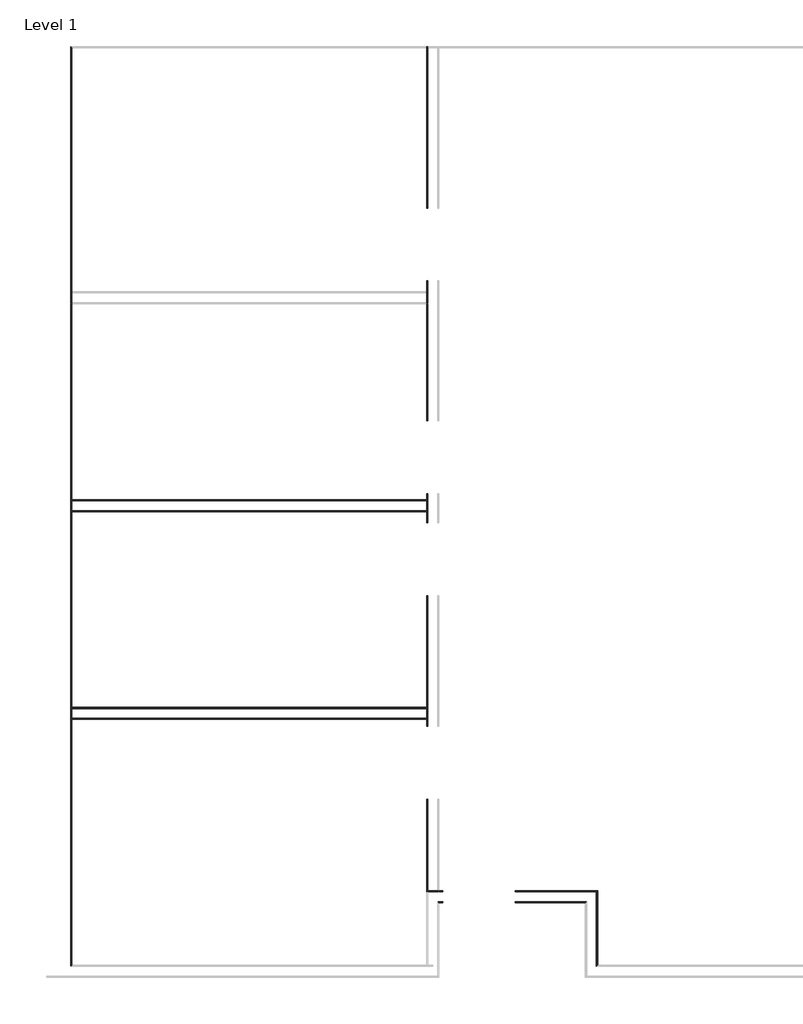
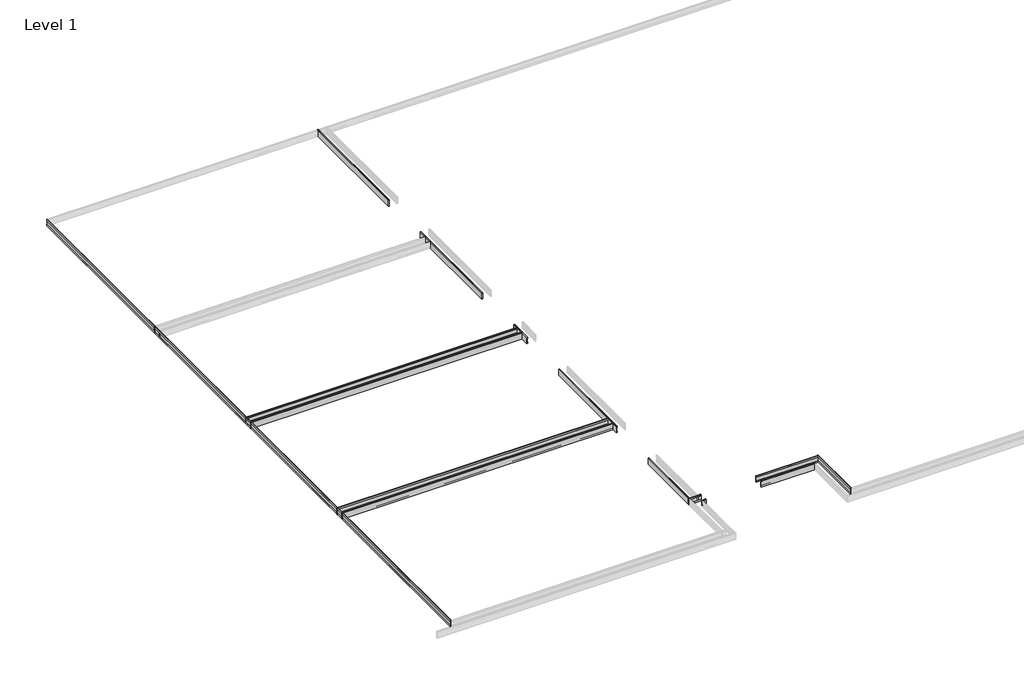
# One storey, part 26 of 51: 9 proxies.
"""IFC4 building model written with IfcOpenShell, lengths in millimetres."""

from ifc_helpers import new_model, si_unit, point, frame, frame_2d, origin, place, context, project, spatial, polyline, circle_curve, ellipse_curve, trimmed, segment, composite_curve, outline, extrude, element, save
from ifc_brep_helpers import plane_surface, cylinder_surface, advanced_brep

model = new_model("IFC4")

# Units and contexts
model_context = context("Model", 3, world=origin())
ifc_project = project(units=[si_unit("LENGTHUNIT", "METRE", prefix="MILLI")], contexts=[model_context])

# Site, building, storey
site = spatial("IfcSite", under=ifc_project)
building = spatial("IfcBuilding", under=site)
storey = spatial("IfcBuildingStorey", under=building, Name="Level 1", Elevation=0.0)

# Proxies
placement = place(None, origin())
element("IfcBuildingElementProxy", 1, Name="Wall Sweeps", at=placement, inside=storey, context=model_context, shape_type="SweptSolid", body=[
    extrude(outline(composite_curve([segment(polyline([(-17566.3051669, 22.1801656), (-17562.9154634, 23.915644), (-17562.9154634, 85.828144), (-17566.3051669, 87.5505545), (-17566.3051669, 107.95), (-17555.1926669, 107.95)]), True, "CONTINUOUS"), segment(trimmed(circle_curve(frame_2d((-17555.1926669, 104.775)), 3.175), [point((-17555.1926669, 107.95))], [point((-17552.0176669, 104.775))], False, "CARTESIAN"), True, "CONTINUOUS"), segment(polyline([(-17552.0176669, 104.775), (-17552.0176669, 0.0), (-17566.3051669, 0.0), (-17566.3051669, 22.1801656)]), True, "CONTINUOUS")], self_intersect=False)), frame((-41512.646516, 0.0, 0.0), z_axis=(1.0, 0.0, 0.0), x_axis=(0.0, 1.0, 0.0)), (0.0, 0.0, 1.0), 4495.8),
])
element("IfcBuildingElementProxy", 2, Name="Wall Sweeps", at=placement, inside=storey, context=model_context, shape_type="SweptSolid", body=[
    extrude(outline(composite_curve([segment(polyline([(-15073.9301669, 22.1801656), (-15073.9301669, 0.0), (-15088.2176669, 0.0), (-15088.2176669, 104.775)]), True, "CONTINUOUS"), segment(trimmed(circle_curve(frame_2d((-15085.0426669, 104.775)), 3.175), [point((-15088.2176669, 104.775))], [point((-15085.0426669, 107.95))], False, "CARTESIAN"), True, "CONTINUOUS"), segment(polyline([(-15085.0426669, 107.95), (-15073.9301669, 107.95), (-15073.9301669, 87.5505545), (-15077.3198704, 85.828144), (-15077.3198704, 23.915644), (-15073.9301669, 22.1801656)]), True, "CONTINUOUS")], self_intersect=False)), frame((-41512.646516, 0.0, 0.0), z_axis=(1.0, 0.0, 0.0), x_axis=(0.0, 1.0, 0.0)), (0.0, 0.0, 1.0), 4495.8),
])
element("IfcBuildingElementProxy", 3, Name="Wall Sweeps", at=placement, inside=storey, context=model_context, shape_type="SweptSolid", body=[
    extrude(outline(composite_curve([segment(polyline([(-17690.1301669, 22.1801656), (-17690.1301669, 0.0), (-17704.4176669, 0.0), (-17704.4176669, 104.775)]), True, "CONTINUOUS"), segment(trimmed(circle_curve(frame_2d((-17701.2426669, 104.775)), 3.175), [point((-17704.4176669, 104.775))], [point((-17701.2426669, 107.95))], False, "CARTESIAN"), True, "CONTINUOUS"), segment(polyline([(-17701.2426669, 107.95), (-17690.1301669, 107.95), (-17690.1301669, 87.5505545), (-17693.5198704, 85.828144), (-17693.5198704, 23.915644), (-17690.1301669, 22.1801656)]), True, "CONTINUOUS")], self_intersect=False)), frame((-41512.646516, 0.0, 0.0), z_axis=(1.0, 0.0, 0.0), x_axis=(0.0, 1.0, 0.0)), (0.0, 0.0, 1.0), 4495.8),
])
element("IfcBuildingElementProxy", 4, Name="Wall Sweeps", at=placement, inside=storey, context=model_context, shape_type="SweptSolid", body=[
    extrude(outline(composite_curve([segment(polyline([(-14950.1051669, 22.1801656), (-14946.7154634, 23.915644), (-14946.7154634, 85.828144), (-14950.1051669, 87.5505545), (-14950.1051669, 107.95), (-14938.9926669, 107.95)]), True, "CONTINUOUS"), segment(trimmed(circle_curve(frame_2d((-14938.9926669, 104.775)), 3.175), [point((-14938.9926669, 107.95))], [point((-14935.8176669, 104.775))], False, "CARTESIAN"), True, "CONTINUOUS"), segment(polyline([(-14935.8176669, 104.775), (-14935.8176669, 0.0), (-14950.1051669, 0.0), (-14950.1051669, 22.1801656)]), True, "CONTINUOUS")], self_intersect=False)), frame((-41512.646516, 0.0, 0.0), z_axis=(1.0, 0.0, 0.0), x_axis=(0.0, 1.0, 0.0)), (0.0, 0.0, 1.0), 4495.8),
])
element("IfcBuildingElementProxy", 5, Name="Wall Sweeps", at=placement, inside=storey, context=model_context, shape_type="AdvancedBrep", body=[
    advanced_brep(
    [(-41512.646516, -20814.3301669, 22.1801656), (-41512.646516, -20814.3301669, 0.0), (-41498.359016, -20800.0426669, 0.0), (-41498.359016, -20800.0426669, 104.775), (-41501.534016, -20803.2176669, 107.95), (-41512.646516, -20814.3301669, 107.95), (-41512.646516, -20814.3301669, 87.5505545), (-41509.2568125, -20810.9404634, 85.828144), (-41509.2568125, -20810.9404634, 23.915644), (-41512.646516, -9231.9301669, 22.1801656), (-41509.2568125, -9235.3198704, 23.915644), (-41509.2568125, -9235.3198704, 85.828144), (-41512.646516, -9231.9301669, 87.5505545), (-41512.646516, -9231.9301669, 107.95), (-41501.534016, -9243.0426669, 107.95), (-41498.359016, -9246.2176669, 104.775), (-41498.359016, -9246.2176669, 0.0), (-41512.646516, -9231.9301669, 0.0)],
    [
        (0, 1),
        (1, 2),
        (2, 3),
        (3, 4, ellipse_curve(frame((-41501.534016, -20803.2176669, 104.775), z_axis=(0.7071067811865405, -0.7071067811865547, 0.0), x_axis=(-0.7071067811865548, -0.7071067811865401, 0.0)), 4.4901281, 3.175)),
        (4, 5),
        (5, 6),
        (6, 7),
        (7, 8),
        (8, 0),
        (9, 10),
        (10, 11),
        (11, 12),
        (12, 13),
        (13, 14),
        (14, 15, ellipse_curve(frame((-41501.534016, -9243.0426669, 104.775), z_axis=(0.7071067811865476, 0.7071067811865476, 0.0), x_axis=(0.7071067811865476, -0.7071067811865475, 0.0)), 4.4901281, 3.175)),
        (15, 16),
        (16, 17),
        (17, 9),
        (0, 9),
        (17, 1),
        (16, 2),
        (15, 3),
        (14, 4),
        (13, 5),
        (12, 6),
        (11, 7),
        (10, 8),
    ],
    [
        plane_surface(frame((-41512.646516, -20814.3301669, 304.8), z_axis=(0.7071067811865405, -0.7071067811865547, 0.0), x_axis=(0.7071067811865547, 0.7071067811865405, 0.0))),
        plane_surface(frame((-41512.646516, -9231.9301669, 304.8), z_axis=(0.7071067811865476, 0.7071067811865476, 0.0), x_axis=(0.7071067811865476, -0.7071067811865476, 0.0))),
        plane_surface(frame((-41512.646516, -20814.3301669, 22.1801656), z_axis=(-1.0, 0.0, 0.0), x_axis=(0.0, 1.0, 0.0))),
        plane_surface(frame((-41512.646516, -20814.3301669, 0.0), z_axis=(0.0, 0.0, -1.0), x_axis=(0.0, 1.0, 0.0))),
        plane_surface(frame((-41498.359016, -20800.0426669, 0.0), z_axis=(1.0, 0.0, 0.0), x_axis=(0.0, 1.0, 0.0))),
        cylinder_surface(frame((-41501.534016, -20814.3301669, 104.775), z_axis=(0.0, -1.0, 0.0), x_axis=(1.0, 0.0, 0.0)), 3.175),
        plane_surface(frame((-41501.534016, -20803.2176669, 107.95), z_axis=(0.0, 0.0, 1.0), x_axis=(0.0, 1.0, 0.0))),
        plane_surface(frame((-41512.646516, -20814.3301669, 107.95), z_axis=(-1.0, 0.0, 0.0), x_axis=(0.0, 1.0, 0.0))),
        plane_surface(frame((-41512.646516, -20814.3301669, 87.5505545), z_axis=(-0.4530026868357818, 0.0, -0.8915091506650745), x_axis=(0.0, 1.0, 0.0))),
        plane_surface(frame((-41509.2568125, -20810.9404634, 85.828144), z_axis=(-1.0, 0.0, 0.0), x_axis=(0.0, 1.0, 0.0))),
        plane_surface(frame((-41509.2568125, -20810.9404634, 23.915644), z_axis=(-0.4557279043188856, 0.0, 0.8901191365346083), x_axis=(0.0, 1.0, 0.0))),
    ],
    [
        (0, [[1, 2, 3, 4, 5, 6, 7, 8, 9]]),
        (1, [[10, 11, 12, 13, 14, 15, 16, 17, 18]]),
        (2, [[-1, 19, -18, 20]]),
        (3, [[-2, -20, -17, 21]]),
        (4, [[-3, -21, -16, 22]]),
        (5, [[-4, -22, -15, 23]]),
        (6, [[-5, -23, -14, 24]]),
        (7, [[-6, -24, -13, 25]]),
        (8, [[-7, -25, -12, 26]]),
        (9, [[-8, -26, -11, 27]]),
        (10, [[-9, -27, -10, -19]]),
    ],
),
])
element("IfcBuildingElementProxy", 6, Name="Wall Sweeps", at=placement, inside=storey, context=model_context, shape_type="AdvancedBrep", body=[
    advanced_brep(
    [(-34894.3655424, -20814.3301669, 22.1801656), (-34894.3655424, -20814.3301669, 0.0), (-34880.0780424, -20800.0426669, 0.0), (-34880.0780424, -20800.0426669, 104.775), (-34883.2530424, -20803.2176669, 107.95), (-34894.3655424, -20814.3301669, 107.95), (-34894.3655424, -20814.3301669, 87.5505545), (-34890.9758389, -20810.9404634, 85.828144), (-34890.9758389, -20810.9404634, 23.915644), (-34894.3655424, -19874.5301669, 22.1801656), (-34890.9758389, -19871.1404634, 23.915644), (-34890.9758389, -19871.1404634, 85.828144), (-34894.3655424, -19874.5301669, 87.5505545), (-34894.3655424, -19874.5301669, 107.95), (-34883.2530424, -19863.4176669, 107.95), (-34880.0780424, -19860.2426669, 104.775), (-34880.0780424, -19860.2426669, 0.0), (-34894.3655424, -19874.5301669, 0.0)],
    [
        (0, 1),
        (1, 2),
        (2, 3),
        (3, 4, ellipse_curve(frame((-34883.2530424, -20803.2176669, 104.775), z_axis=(0.7071067811865405, -0.7071067811865547, 0.0), x_axis=(-0.7071067811865547, -0.7071067811865402, 0.0)), 4.4901281, 3.175)),
        (4, 5),
        (5, 6),
        (6, 7),
        (7, 8),
        (8, 0),
        (9, 10),
        (10, 11),
        (11, 12),
        (12, 13),
        (13, 14),
        (14, 15, ellipse_curve(frame((-34883.2530424, -19863.4176669, 104.775), z_axis=(-0.7071067811865476, 0.7071067811865476, 0.0), x_axis=(-0.7071067811865476, -0.7071067811865474, 0.0)), 4.4901281, 3.175)),
        (15, 16),
        (16, 17),
        (17, 9),
        (0, 9),
        (17, 1),
        (16, 2),
        (15, 3),
        (14, 4),
        (13, 5),
        (12, 6),
        (11, 7),
        (10, 8),
    ],
    [
        plane_surface(frame((-34894.3655424, -20814.3301669, 304.8), z_axis=(0.7071067811865405, -0.7071067811865547, 0.0), x_axis=(0.7071067811865547, 0.7071067811865405, 0.0))),
        plane_surface(frame((-34894.3655424, -19874.5301669, -304.8), z_axis=(-0.7071067811865476, 0.7071067811865476, 0.0), x_axis=(-0.7071067811865476, -0.7071067811865476, 0.0))),
        plane_surface(frame((-34894.3655424, -20814.3301669, 22.1801656), z_axis=(-1.0, 0.0, 0.0), x_axis=(0.0, 1.0, 0.0))),
        plane_surface(frame((-34894.3655424, -20814.3301669, 0.0), z_axis=(0.0, 0.0, -1.0), x_axis=(0.0, 1.0, 0.0))),
        plane_surface(frame((-34880.0780424, -20800.0426669, 0.0), z_axis=(1.0, 0.0, 0.0), x_axis=(0.0, 1.0, 0.0))),
        cylinder_surface(frame((-34883.2530424, -20814.3301669, 104.775), z_axis=(0.0, -1.0, 0.0), x_axis=(1.0, 0.0, 0.0)), 3.175),
        plane_surface(frame((-34883.2530424, -20803.2176669, 107.95), z_axis=(0.0, 0.0, 1.0), x_axis=(0.0, 1.0, 0.0))),
        plane_surface(frame((-34894.3655424, -20814.3301669, 107.95), z_axis=(-1.0, 0.0, 0.0), x_axis=(0.0, 1.0, 0.0))),
        plane_surface(frame((-34894.3655424, -20814.3301669, 87.5505545), z_axis=(-0.4530026868357818, 0.0, -0.8915091506650745), x_axis=(0.0, 1.0, 0.0))),
        plane_surface(frame((-34890.9758389, -20810.9404634, 85.828144), z_axis=(-1.0, 0.0, 0.0), x_axis=(0.0, 1.0, 0.0))),
        plane_surface(frame((-34890.9758389, -20810.9404634, 23.915644), z_axis=(-0.4557279043188856, 0.0, 0.8901191365346083), x_axis=(0.0, 1.0, 0.0))),
    ],
    [
        (0, [[1, 2, 3, 4, 5, 6, 7, 8, 9]]),
        (1, [[10, 11, 12, 13, 14, 15, 16, 17, 18]]),
        (2, [[-1, 19, -18, 20]]),
        (3, [[-2, -20, -17, 21]]),
        (4, [[-3, -21, -16, 22]]),
        (5, [[-4, -22, -15, 23]]),
        (6, [[-5, -23, -14, 24]]),
        (7, [[-6, -24, -13, 25]]),
        (8, [[-7, -25, -12, 26]]),
        (9, [[-8, -26, -11, 27]]),
        (10, [[-9, -27, -10, -19]]),
    ],
),
])
element("IfcBuildingElementProxy", 7, Name="Wall Sweeps", at=placement, inside=storey, context=model_context, shape_type="AdvancedBrep", body=[
    advanced_brep(
    [(-36827.934016, -19998.3551669, 22.1801656), (-36827.934016, -20001.7448704, 23.915644), (-36827.934016, -20001.7448704, 85.828144), (-36827.934016, -19998.3551669, 87.5505545), (-36827.934016, -19998.3551669, 107.95), (-36827.934016, -20009.4676669, 107.95), (-36827.934016, -20012.6426669, 104.775), (-36827.934016, -20012.6426669, 0.0), (-36827.934016, -19998.3551669, 0.0), (-36893.021516, -19998.3551669, 22.1801656), (-36893.021516, -19998.3551669, 0.0), (-36878.734016, -20012.6426669, 0.0), (-36878.734016, -20012.6426669, 104.775), (-36881.909016, -20009.4676669, 107.95), (-36893.021516, -19998.3551669, 107.95), (-36893.021516, -19998.3551669, 87.5505545), (-36889.6318125, -20001.7448704, 85.828144), (-36889.6318125, -20001.7448704, 23.915644)],
    [
        (0, 1),
        (1, 2),
        (2, 3),
        (3, 4),
        (4, 5),
        (5, 6, circle_curve(frame((-36827.934016, -20009.4676669, 104.775), z_axis=(1.0, 0.0, 0.0), x_axis=(0.0, -1.0, 0.0)), 3.175)),
        (6, 7),
        (7, 8),
        (8, 0),
        (9, 10),
        (10, 11),
        (11, 12),
        (12, 13, ellipse_curve(frame((-36881.909016, -20009.4676669, 104.775), z_axis=(-0.7071067811865547, -0.7071067811865405, 0.0), x_axis=(0.7071067811865402, -0.7071067811865548, 0.0)), 4.4901281, 3.175)),
        (13, 14),
        (14, 15),
        (15, 16),
        (16, 17),
        (17, 9),
        (0, 9),
        (17, 1),
        (16, 2),
        (15, 3),
        (14, 4),
        (13, 5),
        (12, 6),
        (11, 7),
        (10, 8),
    ],
    [
        plane_surface(frame((-36827.934016, -19998.3551669, -108.5204596), z_axis=(1.0, 0.0, 0.0), x_axis=(0.0, -1.0, 0.0))),
        plane_surface(frame((-36893.021516, -19998.3551669, -304.8), z_axis=(-0.7071067811865547, -0.7071067811865405, 0.0), x_axis=(0.7071067811865405, -0.7071067811865547, 0.0))),
        plane_surface(frame((-36827.934016, -19998.3551669, 22.1801656), z_axis=(0.0, 0.4557279043188856, 0.8901191365346083), x_axis=(-1.0, 0.0, 0.0))),
        plane_surface(frame((-36827.934016, -20001.7448704, 23.915644), z_axis=(0.0, 1.0, 0.0), x_axis=(-1.0, 0.0, 0.0))),
        plane_surface(frame((-36827.934016, -20001.7448704, 85.828144), z_axis=(0.0, 0.4530026868357818, -0.8915091506650745), x_axis=(-1.0, 0.0, 0.0))),
        plane_surface(frame((-36827.934016, -19998.3551669, 87.5505545), z_axis=(0.0, 1.0, 0.0), x_axis=(-1.0, 0.0, 0.0))),
        plane_surface(frame((-36827.934016, -19998.3551669, 107.95), z_axis=(0.0, 0.0, 1.0), x_axis=(-1.0, 0.0, 0.0))),
        cylinder_surface(frame((-36827.934016, -20009.4676669, 104.775), z_axis=(1.0, 0.0, 0.0), x_axis=(0.0, -1.0, 0.0)), 3.175),
        plane_surface(frame((-36827.934016, -20012.6426669, 104.775), z_axis=(0.0, -1.0, 0.0), x_axis=(-1.0, 0.0, 0.0))),
        plane_surface(frame((-36827.934016, -20012.6426669, 0.0), z_axis=(0.0, 0.0, -1.0), x_axis=(-1.0, 0.0, 0.0))),
        plane_surface(frame((-36827.934016, -19998.3551669, 0.0), z_axis=(0.0, 1.0, 0.0), x_axis=(-1.0, 0.0, 0.0))),
    ],
    [
        (0, [[1, 2, 3, 4, 5, 6, 7, 8, 9]]),
        (1, [[10, 11, 12, 13, 14, 15, 16, 17, 18]]),
        (2, [[-1, 19, -18, 20]]),
        (3, [[-2, -20, -17, 21]]),
        (4, [[-3, -21, -16, 22]]),
        (5, [[-4, -22, -15, 23]]),
        (6, [[-5, -23, -14, 24]]),
        (7, [[-6, -24, -13, 25]]),
        (8, [[-7, -25, -12, 26]]),
        (9, [[-8, -26, -11, 27]]),
        (10, [[-9, -27, -10, -19]]),
    ],
),
    advanced_brep(
    [(-35018.1905424, -19998.3551669, 22.1801656), (-35021.5802458, -20001.7448704, 23.915644), (-35021.5802458, -20001.7448704, 85.828144), (-35018.1905424, -19998.3551669, 87.5505545), (-35018.1905424, -19998.3551669, 107.95), (-35029.3030424, -20009.4676669, 107.95), (-35032.4780424, -20012.6426669, 104.775), (-35032.4780424, -20012.6426669, 0.0), (-35018.1905424, -19998.3551669, 0.0), (-35913.534016, -19998.3551669, 22.1801656), (-35913.534016, -19998.3551669, 0.0), (-35913.534016, -20012.6426669, 0.0), (-35913.534016, -20012.6426669, 104.775), (-35913.534016, -20009.4676669, 107.95), (-35913.534016, -19998.3551669, 107.95), (-35913.534016, -19998.3551669, 87.5505545), (-35913.534016, -20001.7448704, 85.828144), (-35913.534016, -20001.7448704, 23.915644)],
    [
        (0, 1),
        (1, 2),
        (2, 3),
        (3, 4),
        (4, 5),
        (5, 6, ellipse_curve(frame((-35029.3030424, -20009.4676669, 104.775), z_axis=(0.7071067811865476, -0.7071067811865476, 0.0), x_axis=(0.7071067811865475, 0.7071067811865476, 0.0)), 4.4901281, 3.175)),
        (6, 7),
        (7, 8),
        (8, 0),
        (9, 10),
        (10, 11),
        (11, 12),
        (12, 13, circle_curve(frame((-35913.534016, -20009.4676669, 104.775), z_axis=(-1.0, 0.0, 0.0), x_axis=(0.0, -1.0, 0.0)), 3.175)),
        (13, 14),
        (14, 15),
        (15, 16),
        (16, 17),
        (17, 9),
        (0, 9),
        (17, 1),
        (16, 2),
        (15, 3),
        (14, 4),
        (13, 5),
        (12, 6),
        (11, 7),
        (10, 8),
    ],
    [
        plane_surface(frame((-35018.1905424, -19998.3551669, -304.8), z_axis=(0.7071067811865476, -0.7071067811865476, 0.0), x_axis=(-0.7071067811865476, -0.7071067811865476, 0.0))),
        plane_surface(frame((-35913.534016, -19998.3551669, -108.5204596), z_axis=(-1.0, 0.0, 0.0), x_axis=(0.0, -1.0, 0.0))),
        plane_surface(frame((-35018.1905424, -19998.3551669, 22.1801656), z_axis=(0.0, 0.4557279043188856, 0.8901191365346083), x_axis=(-1.0, 0.0, 0.0))),
        plane_surface(frame((-35021.5802458, -20001.7448704, 23.915644), z_axis=(0.0, 1.0, 0.0), x_axis=(-1.0, 0.0, 0.0))),
        plane_surface(frame((-35021.5802458, -20001.7448704, 85.828144), z_axis=(0.0, 0.4530026868357818, -0.8915091506650745), x_axis=(-1.0, 0.0, 0.0))),
        plane_surface(frame((-35018.1905424, -19998.3551669, 87.5505545), z_axis=(0.0, 1.0, 0.0), x_axis=(-1.0, 0.0, 0.0))),
        plane_surface(frame((-35018.1905424, -19998.3551669, 107.95), z_axis=(0.0, 0.0, 1.0), x_axis=(-1.0, 0.0, 0.0))),
        cylinder_surface(frame((-35018.1905424, -20009.4676669, 104.775), z_axis=(1.0, 0.0, 0.0), x_axis=(0.0, -1.0, 0.0)), 3.175),
        plane_surface(frame((-35032.4780424, -20012.6426669, 104.775), z_axis=(0.0, -1.0, 0.0), x_axis=(-1.0, 0.0, 0.0))),
        plane_surface(frame((-35032.4780424, -20012.6426669, 0.0), z_axis=(0.0, 0.0, -1.0), x_axis=(-1.0, 0.0, 0.0))),
        plane_surface(frame((-35018.1905424, -19998.3551669, 0.0), z_axis=(0.0, 1.0, 0.0), x_axis=(-1.0, 0.0, 0.0))),
    ],
    [
        (0, [[1, 2, 3, 4, 5, 6, 7, 8, 9]]),
        (1, [[10, 11, 12, 13, 14, 15, 16, 17, 18]]),
        (2, [[-1, 19, -18, 20]]),
        (3, [[-2, -20, -17, 21]]),
        (4, [[-3, -21, -16, 22]]),
        (5, [[-4, -22, -15, 23]]),
        (6, [[-5, -23, -14, 24]]),
        (7, [[-6, -24, -13, 25]]),
        (8, [[-7, -25, -12, 26]]),
        (9, [[-8, -26, -11, 27]]),
        (10, [[-9, -27, -10, -19]]),
    ],
),
])
element("IfcBuildingElementProxy", 8, Name="Wall Sweeps", at=placement, inside=storey, context=model_context, shape_type="AdvancedBrep", body=[
    advanced_brep(
    [(-34894.3655424, -19874.5301669, 22.1801656), (-34894.3655424, -19874.5301669, 0.0), (-34880.0780424, -19860.2426669, 0.0), (-34880.0780424, -19860.2426669, 104.775), (-34883.2530424, -19863.4176669, 107.95), (-34894.3655424, -19874.5301669, 107.95), (-34894.3655424, -19874.5301669, 87.5505545), (-34890.9758389, -19871.1404634, 85.828144), (-34890.9758389, -19871.1404634, 23.915644), (-35913.534016, -19874.5301669, 22.1801656), (-35913.534016, -19871.1404634, 23.915644), (-35913.534016, -19871.1404634, 85.828144), (-35913.534016, -19874.5301669, 87.5505545), (-35913.534016, -19874.5301669, 107.95), (-35913.534016, -19863.4176669, 107.95), (-35913.534016, -19860.2426669, 104.775), (-35913.534016, -19860.2426669, 0.0), (-35913.534016, -19874.5301669, 0.0), (-35018.1905424, -19874.5301669, 0.0)],
    [
        (0, 1),
        (1, 2),
        (2, 3),
        (3, 4, ellipse_curve(frame((-34883.2530424, -19863.4176669, 104.775), z_axis=(0.7071067811865476, -0.7071067811865476, 0.0), x_axis=(0.7071067811865475, 0.7071067811865476, 0.0)), 4.4901281, 3.175)),
        (4, 5),
        (5, 6),
        (6, 7),
        (7, 8),
        (8, 0),
        (9, 10),
        (10, 11),
        (11, 12),
        (12, 13),
        (13, 14),
        (14, 15, circle_curve(frame((-35913.534016, -19863.4176669, 104.775), z_axis=(-1.0, 0.0, 0.0), x_axis=(0.0, 1.0, 0.0)), 3.175)),
        (15, 16),
        (16, 17),
        (17, 9),
        (0, 9),
        (17, 18),
        (18, 1),
        (16, 2),
        (15, 3),
        (14, 4),
        (13, 5),
        (12, 6),
        (11, 7),
        (10, 8),
    ],
    [
        plane_surface(frame((-34894.3655424, -19874.5301669, -304.8), z_axis=(0.7071067811865476, -0.7071067811865476, 0.0), x_axis=(-0.7071067811865476, -0.7071067811865476, 0.0))),
        plane_surface(frame((-35913.534016, -19874.5301669, -108.5204596), z_axis=(-1.0, 0.0, 0.0), x_axis=(0.0, -1.0, 0.0))),
        plane_surface(frame((-34894.3655424, -19874.5301669, 22.1801656), z_axis=(0.0, -1.0, 0.0), x_axis=(-1.0, 0.0, 0.0))),
        plane_surface(frame((-34894.3655424, -19874.5301669, 0.0), z_axis=(0.0, 0.0, -1.0), x_axis=(-1.0, 0.0, 0.0))),
        plane_surface(frame((-34880.0780424, -19860.2426669, 0.0), z_axis=(0.0, 1.0, 0.0), x_axis=(-1.0, 0.0, 0.0))),
        cylinder_surface(frame((-34894.3655424, -19863.4176669, 104.775), z_axis=(1.0, 0.0, 0.0), x_axis=(0.0, 1.0, 0.0)), 3.175),
        plane_surface(frame((-34883.2530424, -19863.4176669, 107.95), z_axis=(0.0, 0.0, 1.0), x_axis=(-1.0, 0.0, 0.0))),
        plane_surface(frame((-34894.3655424, -19874.5301669, 107.95), z_axis=(0.0, -1.0, 0.0), x_axis=(-1.0, 0.0, 0.0))),
        plane_surface(frame((-34894.3655424, -19874.5301669, 87.5505545), z_axis=(0.0, -0.4530026868357818, -0.8915091506650745), x_axis=(-1.0, 0.0, 0.0))),
        plane_surface(frame((-34890.9758389, -19871.1404634, 85.828144), z_axis=(0.0, -1.0, 0.0), x_axis=(-1.0, 0.0, 0.0))),
        plane_surface(frame((-34890.9758389, -19871.1404634, 23.915644), z_axis=(0.0, -0.4557279043188856, 0.8901191365346083), x_axis=(-1.0, 0.0, 0.0))),
    ],
    [
        (0, [[1, 2, 3, 4, 5, 6, 7, 8, 9]]),
        (1, [[10, 11, 12, 13, 14, 15, 16, 17, 18]]),
        (2, [[-1, 19, -18, 20, 21]]),
        (3, [[-2, -21, -20, -17, 22]]),
        (4, [[-3, -22, -16, 23]]),
        (5, [[-4, -23, -15, 24]]),
        (6, [[-5, -24, -14, 25]]),
        (7, [[-6, -25, -13, 26]]),
        (8, [[-7, -26, -12, 27]]),
        (9, [[-8, -27, -11, 28]]),
        (10, [[-9, -28, -10, -19]]),
    ],
),
    advanced_brep(
    [(-36827.934016, -19874.5301669, 22.1801656), (-36827.934016, -19874.5301669, 0.0), (-36827.934016, -19860.2426669, 0.0), (-36827.934016, -19860.2426669, 104.775), (-36827.934016, -19863.4176669, 107.95), (-36827.934016, -19874.5301669, 107.95), (-36827.934016, -19874.5301669, 87.5505545), (-36827.934016, -19871.1404634, 85.828144), (-36827.934016, -19871.1404634, 23.915644), (-37016.846516, -19874.5301669, 22.1801656), (-37020.2362195, -19871.1404634, 23.915644), (-37020.2362195, -19871.1404634, 85.828144), (-37016.846516, -19874.5301669, 87.5505545), (-37016.846516, -19874.5301669, 107.95), (-37027.959016, -19863.4176669, 107.95), (-37031.134016, -19860.2426669, 104.775), (-37031.134016, -19860.2426669, 0.0), (-37016.846516, -19874.5301669, 0.0), (-36893.021516, -19874.5301669, 0.0)],
    [
        (0, 1),
        (1, 2),
        (2, 3),
        (3, 4, circle_curve(frame((-36827.934016, -19863.4176669, 104.775), z_axis=(1.0, 0.0, 0.0), x_axis=(0.0, 1.0, 0.0)), 3.175)),
        (4, 5),
        (5, 6),
        (6, 7),
        (7, 8),
        (8, 0),
        (9, 10),
        (10, 11),
        (11, 12),
        (12, 13),
        (13, 14),
        (14, 15, ellipse_curve(frame((-37027.959016, -19863.4176669, 104.775), z_axis=(-0.7071067811865547, -0.7071067811865405, 0.0), x_axis=(0.7071067811865402, -0.7071067811865548, 0.0)), 4.4901281, 3.175)),
        (15, 16),
        (16, 17),
        (17, 9),
        (0, 9),
        (17, 18),
        (18, 1),
        (16, 2),
        (15, 3),
        (14, 4),
        (13, 5),
        (12, 6),
        (11, 7),
        (10, 8),
    ],
    [
        plane_surface(frame((-36827.934016, -19874.5301669, -108.5204596), z_axis=(1.0, 0.0, 0.0), x_axis=(0.0, -1.0, 0.0))),
        plane_surface(frame((-37016.846516, -19874.5301669, -304.8), z_axis=(-0.7071067811865547, -0.7071067811865405, 0.0), x_axis=(0.7071067811865405, -0.7071067811865547, 0.0))),
        plane_surface(frame((-36827.934016, -19874.5301669, 22.1801656), z_axis=(0.0, -1.0, 0.0), x_axis=(-1.0, 0.0, 0.0))),
        plane_surface(frame((-36827.934016, -19874.5301669, 0.0), z_axis=(0.0, 0.0, -1.0), x_axis=(-1.0, 0.0, 0.0))),
        plane_surface(frame((-36827.934016, -19860.2426669, 0.0), z_axis=(0.0, 1.0, 0.0), x_axis=(-1.0, 0.0, 0.0))),
        cylinder_surface(frame((-36827.934016, -19863.4176669, 104.775), z_axis=(1.0, 0.0, 0.0), x_axis=(0.0, 1.0, 0.0)), 3.175),
        plane_surface(frame((-36827.934016, -19863.4176669, 107.95), z_axis=(0.0, 0.0, 1.0), x_axis=(-1.0, 0.0, 0.0))),
        plane_surface(frame((-36827.934016, -19874.5301669, 107.95), z_axis=(0.0, -1.0, 0.0), x_axis=(-1.0, 0.0, 0.0))),
        plane_surface(frame((-36827.934016, -19874.5301669, 87.5505545), z_axis=(0.0, -0.4530026868357818, -0.8915091506650745), x_axis=(-1.0, 0.0, 0.0))),
        plane_surface(frame((-36827.934016, -19871.1404634, 85.828144), z_axis=(0.0, -1.0, 0.0), x_axis=(-1.0, 0.0, 0.0))),
        plane_surface(frame((-36827.934016, -19871.1404634, 23.915644), z_axis=(0.0, -0.4557279043188856, 0.8901191365346083), x_axis=(-1.0, 0.0, 0.0))),
    ],
    [
        (0, [[1, 2, 3, 4, 5, 6, 7, 8, 9]]),
        (1, [[10, 11, 12, 13, 14, 15, 16, 17, 18]]),
        (2, [[-1, 19, -18, 20, 21]]),
        (3, [[-2, -21, -20, -17, 22]]),
        (4, [[-3, -22, -16, 23]]),
        (5, [[-4, -23, -15, 24]]),
        (6, [[-5, -24, -14, 25]]),
        (7, [[-6, -25, -13, 26]]),
        (8, [[-7, -26, -12, 27]]),
        (9, [[-8, -27, -11, 28]]),
        (10, [[-9, -28, -10, -19]]),
    ],
),
])
element("IfcBuildingElementProxy", 9, Name="Wall Sweeps", at=placement, inside=storey, context=model_context, shape_type="AdvancedBrep", body=[
    advanced_brep(
    [(-37016.846516, -19874.5301669, 22.1801656), (-37020.2362195, -19874.5301669, 23.915644), (-37020.2362195, -19874.5301669, 85.828144), (-37016.846516, -19874.5301669, 87.5505545), (-37016.846516, -19874.5301669, 107.95), (-37027.959016, -19874.5301669, 107.95), (-37031.134016, -19874.5301669, 104.775), (-37031.134016, -19874.5301669, 0.0), (-37016.846516, -19874.5301669, 0.0), (-37016.846516, -18706.1301669, 22.1801656), (-37016.846516, -18706.1301669, 0.0), (-37031.134016, -18706.1301669, 0.0), (-37031.134016, -18706.1301669, 104.775), (-37027.959016, -18706.1301669, 107.95), (-37016.846516, -18706.1301669, 107.95), (-37016.846516, -18706.1301669, 87.5505545), (-37020.2362195, -18706.1301669, 85.828144), (-37020.2362195, -18706.1301669, 23.915644), (-37016.846516, -19860.2426669, 0.0)],
    [
        (0, 1),
        (1, 2),
        (2, 3),
        (3, 4),
        (4, 5),
        (5, 6, circle_curve(frame((-37027.959016, -19874.5301669, 104.775), z_axis=(0.0, -1.0, 0.0), x_axis=(-1.0, 0.0, 0.0)), 3.175)),
        (6, 7),
        (7, 8),
        (8, 0),
        (9, 10),
        (10, 11),
        (11, 12),
        (12, 13, circle_curve(frame((-37027.959016, -18706.1301669, 104.775), z_axis=(0.0, 1.0, 0.0), x_axis=(-1.0, 0.0, 0.0)), 3.175)),
        (13, 14),
        (14, 15),
        (15, 16),
        (16, 17),
        (17, 9),
        (0, 9),
        (17, 1),
        (16, 2),
        (15, 3),
        (14, 4),
        (13, 5),
        (12, 6),
        (11, 7),
        (10, 18),
        (18, 8),
    ],
    [
        plane_surface(frame((-37016.846516, -19874.5301669, 304.8), z_axis=(0.0, -1.0, 0.0), x_axis=(1.0, 0.0, 0.0))),
        plane_surface(frame((-37125.3669756, -18706.1301669, 0.0), z_axis=(0.0, 1.0, 0.0), x_axis=(0.0, 0.0, 1.0))),
        plane_surface(frame((-37016.846516, -19874.5301669, 22.1801656), z_axis=(0.4557279043188856, 0.0, 0.8901191365346083), x_axis=(0.0, 1.0, 0.0))),
        plane_surface(frame((-37020.2362195, -19874.5301669, 23.915644), z_axis=(1.0, 0.0, 0.0), x_axis=(0.0, 1.0, 0.0))),
        plane_surface(frame((-37020.2362195, -19874.5301669, 85.828144), z_axis=(0.4530026868357818, 0.0, -0.8915091506650745), x_axis=(0.0, 1.0, 0.0))),
        plane_surface(frame((-37016.846516, -19874.5301669, 87.5505545), z_axis=(1.0, 0.0, 0.0), x_axis=(0.0, 1.0, 0.0))),
        plane_surface(frame((-37016.846516, -19874.5301669, 107.95), z_axis=(0.0, 0.0, 1.0), x_axis=(0.0, 1.0, 0.0))),
        cylinder_surface(frame((-37027.959016, -19874.5301669, 104.775), z_axis=(0.0, -1.0, 0.0), x_axis=(-1.0, 0.0, 0.0)), 3.175),
        plane_surface(frame((-37031.134016, -19874.5301669, 104.775), z_axis=(-1.0, 0.0, 0.0), x_axis=(0.0, 1.0, 0.0))),
        plane_surface(frame((-37031.134016, -19874.5301669, 0.0), z_axis=(0.0, 0.0, -1.0), x_axis=(0.0, 1.0, 0.0))),
        plane_surface(frame((-37016.846516, -19874.5301669, 0.0), z_axis=(1.0, 0.0, 0.0), x_axis=(0.0, 1.0, 0.0))),
    ],
    [
        (0, [[1, 2, 3, 4, 5, 6, 7, 8, 9]]),
        (1, [[10, 11, 12, 13, 14, 15, 16, 17, 18]]),
        (2, [[-1, 19, -18, 20]]),
        (3, [[-2, -20, -17, 21]]),
        (4, [[-3, -21, -16, 22]]),
        (5, [[-4, -22, -15, 23]]),
        (6, [[-5, -23, -14, 24]]),
        (7, [[-6, -24, -13, 25]]),
        (8, [[-7, -25, -12, 26]]),
        (9, [[-8, -26, -11, 27, 28]]),
        (10, [[-9, -28, -27, -10, -19]]),
    ],
),
    advanced_brep(
    [(-37016.846516, -17791.7301669, 22.1801656), (-37020.2362195, -17791.7301669, 23.915644), (-37020.2362195, -17791.7301669, 85.828144), (-37016.846516, -17791.7301669, 87.5505545), (-37016.846516, -17791.7301669, 107.95), (-37027.959016, -17791.7301669, 107.95), (-37031.134016, -17791.7301669, 104.775), (-37031.134016, -17791.7301669, 0.0), (-37016.846516, -17791.7301669, 0.0), (-37016.846516, -16143.9051669, 22.1801656), (-37016.846516, -16143.9051669, 0.0), (-37031.134016, -16143.9051669, 0.0), (-37031.134016, -16143.9051669, 104.775), (-37027.959016, -16143.9051669, 107.95), (-37016.846516, -16143.9051669, 107.95), (-37016.846516, -16143.9051669, 87.5505545), (-37020.2362195, -16143.9051669, 85.828144), (-37020.2362195, -16143.9051669, 23.915644)],
    [
        (0, 1),
        (1, 2),
        (2, 3),
        (3, 4),
        (4, 5),
        (5, 6, circle_curve(frame((-37027.959016, -17791.7301669, 104.775), z_axis=(0.0, -1.0, 0.0), x_axis=(-1.0, 0.0, 0.0)), 3.175)),
        (6, 7),
        (7, 8),
        (8, 0),
        (9, 10),
        (10, 11),
        (11, 12),
        (12, 13, circle_curve(frame((-37027.959016, -16143.9051669, 104.775), z_axis=(0.0, 1.0, 0.0), x_axis=(-1.0, 0.0, 0.0)), 3.175)),
        (13, 14),
        (14, 15),
        (15, 16),
        (16, 17),
        (17, 9),
        (0, 9),
        (17, 1),
        (16, 2),
        (15, 3),
        (14, 4),
        (13, 5),
        (12, 6),
        (11, 7),
        (10, 8),
    ],
    [
        plane_surface(frame((-37125.3669756, -17791.7301669, 0.0), z_axis=(0.0, -1.0, 0.0), x_axis=(0.0, 0.0, 1.0))),
        plane_surface(frame((-37125.3669756, -16143.9051669, 0.0), z_axis=(0.0, 1.0, 0.0), x_axis=(0.0, 0.0, 1.0))),
        plane_surface(frame((-37016.846516, -17791.7301669, 22.1801656), z_axis=(0.4557279043188856, 0.0, 0.8901191365346083), x_axis=(0.0, 1.0, 0.0))),
        plane_surface(frame((-37020.2362195, -17791.7301669, 23.915644), z_axis=(1.0, 0.0, 0.0), x_axis=(0.0, 1.0, 0.0))),
        plane_surface(frame((-37020.2362195, -17791.7301669, 85.828144), z_axis=(0.4530026868357818, 0.0, -0.8915091506650745), x_axis=(0.0, 1.0, 0.0))),
        plane_surface(frame((-37016.846516, -17791.7301669, 87.5505545), z_axis=(1.0, 0.0, 0.0), x_axis=(0.0, 1.0, 0.0))),
        plane_surface(frame((-37016.846516, -17791.7301669, 107.95), z_axis=(0.0, 0.0, 1.0), x_axis=(0.0, 1.0, 0.0))),
        cylinder_surface(frame((-37027.959016, -17791.7301669, 104.775), z_axis=(0.0, -1.0, 0.0), x_axis=(-1.0, 0.0, 0.0)), 3.175),
        plane_surface(frame((-37031.134016, -17791.7301669, 104.775), z_axis=(-1.0, 0.0, 0.0), x_axis=(0.0, 1.0, 0.0))),
        plane_surface(frame((-37031.134016, -17791.7301669, 0.0), z_axis=(0.0, 0.0, -1.0), x_axis=(0.0, 1.0, 0.0))),
        plane_surface(frame((-37016.846516, -17791.7301669, 0.0), z_axis=(1.0, 0.0, 0.0), x_axis=(0.0, 1.0, 0.0))),
    ],
    [
        (0, [[1, 2, 3, 4, 5, 6, 7, 8, 9]]),
        (1, [[10, 11, 12, 13, 14, 15, 16, 17, 18]]),
        (2, [[-1, 19, -18, 20]]),
        (3, [[-2, -20, -17, 21]]),
        (4, [[-3, -21, -16, 22]]),
        (5, [[-4, -22, -15, 23]]),
        (6, [[-5, -23, -14, 24]]),
        (7, [[-6, -24, -13, 25]]),
        (8, [[-7, -25, -12, 26]]),
        (9, [[-8, -26, -11, 27]]),
        (10, [[-9, -27, -10, -19]]),
    ],
),
    advanced_brep(
    [(-37016.846516, -15229.5051669, 22.1801656), (-37020.2362195, -15229.5051669, 23.915644), (-37020.2362195, -15229.5051669, 85.828144), (-37016.846516, -15229.5051669, 87.5505545), (-37016.846516, -15229.5051669, 107.95), (-37027.959016, -15229.5051669, 107.95), (-37031.134016, -15229.5051669, 104.775), (-37031.134016, -15229.5051669, 0.0), (-37016.846516, -15229.5051669, 0.0), (-37016.846516, -14859.6176669, 22.1801656), (-37016.846516, -14859.6176669, 0.0), (-37031.134016, -14859.6176669, 0.0), (-37031.134016, -14859.6176669, 104.775), (-37027.959016, -14859.6176669, 107.95), (-37016.846516, -14859.6176669, 107.95), (-37016.846516, -14859.6176669, 87.5505545), (-37020.2362195, -14859.6176669, 85.828144), (-37020.2362195, -14859.6176669, 23.915644)],
    [
        (0, 1),
        (1, 2),
        (2, 3),
        (3, 4),
        (4, 5),
        (5, 6, circle_curve(frame((-37027.959016, -15229.5051669, 104.775), z_axis=(0.0, -1.0, 0.0), x_axis=(-1.0, 0.0, 0.0)), 3.175)),
        (6, 7),
        (7, 8),
        (8, 0),
        (9, 10),
        (10, 11),
        (11, 12),
        (12, 13, circle_curve(frame((-37027.959016, -14859.6176669, 104.775), z_axis=(0.0, 1.0, 0.0), x_axis=(-1.0, 0.0, 0.0)), 3.175)),
        (13, 14),
        (14, 15),
        (15, 16),
        (16, 17),
        (17, 9),
        (0, 9),
        (17, 1),
        (16, 2),
        (15, 3),
        (14, 4),
        (13, 5),
        (12, 6),
        (11, 7),
        (10, 8),
    ],
    [
        plane_surface(frame((-37125.3669756, -15229.5051669, 0.0), z_axis=(0.0, -1.0, 0.0), x_axis=(0.0, 0.0, 1.0))),
        plane_surface(frame((-37125.3669756, -14859.6176669, 0.0), z_axis=(0.0, 1.0, 0.0), x_axis=(0.0, 0.0, 1.0))),
        plane_surface(frame((-37016.846516, -15229.5051669, 22.1801656), z_axis=(0.4557279043188856, 0.0, 0.8901191365346083), x_axis=(0.0, 1.0, 0.0))),
        plane_surface(frame((-37020.2362195, -15229.5051669, 23.915644), z_axis=(1.0, 0.0, 0.0), x_axis=(0.0, 1.0, 0.0))),
        plane_surface(frame((-37020.2362195, -15229.5051669, 85.828144), z_axis=(0.4530026868357818, 0.0, -0.8915091506650745), x_axis=(0.0, 1.0, 0.0))),
        plane_surface(frame((-37016.846516, -15229.5051669, 87.5505545), z_axis=(1.0, 0.0, 0.0), x_axis=(0.0, 1.0, 0.0))),
        plane_surface(frame((-37016.846516, -15229.5051669, 107.95), z_axis=(0.0, 0.0, 1.0), x_axis=(0.0, 1.0, 0.0))),
        cylinder_surface(frame((-37027.959016, -15229.5051669, 104.775), z_axis=(0.0, -1.0, 0.0), x_axis=(-1.0, 0.0, 0.0)), 3.175),
        plane_surface(frame((-37031.134016, -15229.5051669, 104.775), z_axis=(-1.0, 0.0, 0.0), x_axis=(0.0, 1.0, 0.0))),
        plane_surface(frame((-37031.134016, -15229.5051669, 0.0), z_axis=(0.0, 0.0, -1.0), x_axis=(0.0, 1.0, 0.0))),
        plane_surface(frame((-37016.846516, -15229.5051669, 0.0), z_axis=(1.0, 0.0, 0.0), x_axis=(0.0, 1.0, 0.0))),
    ],
    [
        (0, [[1, 2, 3, 4, 5, 6, 7, 8, 9]]),
        (1, [[10, 11, 12, 13, 14, 15, 16, 17, 18]]),
        (2, [[-1, 19, -18, 20]]),
        (3, [[-2, -20, -17, 21]]),
        (4, [[-3, -21, -16, 22]]),
        (5, [[-4, -22, -15, 23]]),
        (6, [[-5, -23, -14, 24]]),
        (7, [[-6, -24, -13, 25]]),
        (8, [[-7, -25, -12, 26]]),
        (9, [[-8, -26, -11, 27]]),
        (10, [[-9, -27, -10, -19]]),
    ],
),
    advanced_brep(
    [(-37016.846516, -13945.2176669, 22.1801656), (-37020.2362195, -13945.2176669, 23.915644), (-37020.2362195, -13945.2176669, 85.828144), (-37016.846516, -13945.2176669, 87.5505545), (-37016.846516, -13945.2176669, 107.95), (-37027.959016, -13945.2176669, 107.95), (-37031.134016, -13945.2176669, 104.775), (-37031.134016, -13945.2176669, 0.0), (-37016.846516, -13945.2176669, 0.0), (-37016.846516, -12181.5051669, 22.1801656), (-37016.846516, -12181.5051669, 0.0), (-37031.134016, -12181.5051669, 0.0), (-37031.134016, -12181.5051669, 104.775), (-37027.959016, -12181.5051669, 107.95), (-37016.846516, -12181.5051669, 107.95), (-37016.846516, -12181.5051669, 87.5505545), (-37020.2362195, -12181.5051669, 85.828144), (-37020.2362195, -12181.5051669, 23.915644)],
    [
        (0, 1),
        (1, 2),
        (2, 3),
        (3, 4),
        (4, 5),
        (5, 6, circle_curve(frame((-37027.959016, -13945.2176669, 104.775), z_axis=(0.0, -1.0, 0.0), x_axis=(-1.0, 0.0, 0.0)), 3.175)),
        (6, 7),
        (7, 8),
        (8, 0),
        (9, 10),
        (10, 11),
        (11, 12),
        (12, 13, circle_curve(frame((-37027.959016, -12181.5051669, 104.775), z_axis=(0.0, 1.0, 0.0), x_axis=(-1.0, 0.0, 0.0)), 3.175)),
        (13, 14),
        (14, 15),
        (15, 16),
        (16, 17),
        (17, 9),
        (0, 9),
        (17, 1),
        (16, 2),
        (15, 3),
        (14, 4),
        (13, 5),
        (12, 6),
        (11, 7),
        (10, 8),
    ],
    [
        plane_surface(frame((-37125.3669756, -13945.2176669, 0.0), z_axis=(0.0, -1.0, 0.0), x_axis=(0.0, 0.0, 1.0))),
        plane_surface(frame((-37125.3669756, -12181.5051669, 0.0), z_axis=(0.0, 1.0, 0.0), x_axis=(0.0, 0.0, 1.0))),
        plane_surface(frame((-37016.846516, -13945.2176669, 22.1801656), z_axis=(0.4557279043188856, 0.0, 0.8901191365346083), x_axis=(0.0, 1.0, 0.0))),
        plane_surface(frame((-37020.2362195, -13945.2176669, 23.915644), z_axis=(1.0, 0.0, 0.0), x_axis=(0.0, 1.0, 0.0))),
        plane_surface(frame((-37020.2362195, -13945.2176669, 85.828144), z_axis=(0.4530026868357818, 0.0, -0.8915091506650745), x_axis=(0.0, 1.0, 0.0))),
        plane_surface(frame((-37016.846516, -13945.2176669, 87.5505545), z_axis=(1.0, 0.0, 0.0), x_axis=(0.0, 1.0, 0.0))),
        plane_surface(frame((-37016.846516, -13945.2176669, 107.95), z_axis=(0.0, 0.0, 1.0), x_axis=(0.0, 1.0, 0.0))),
        cylinder_surface(frame((-37027.959016, -13945.2176669, 104.775), z_axis=(0.0, -1.0, 0.0), x_axis=(-1.0, 0.0, 0.0)), 3.175),
        plane_surface(frame((-37031.134016, -13945.2176669, 104.775), z_axis=(-1.0, 0.0, 0.0), x_axis=(0.0, 1.0, 0.0))),
        plane_surface(frame((-37031.134016, -13945.2176669, 0.0), z_axis=(0.0, 0.0, -1.0), x_axis=(0.0, 1.0, 0.0))),
        plane_surface(frame((-37016.846516, -13945.2176669, 0.0), z_axis=(1.0, 0.0, 0.0), x_axis=(0.0, 1.0, 0.0))),
    ],
    [
        (0, [[1, 2, 3, 4, 5, 6, 7, 8, 9]]),
        (1, [[10, 11, 12, 13, 14, 15, 16, 17, 18]]),
        (2, [[-1, 19, -18, 20]]),
        (3, [[-2, -20, -17, 21]]),
        (4, [[-3, -21, -16, 22]]),
        (5, [[-4, -22, -15, 23]]),
        (6, [[-5, -23, -14, 24]]),
        (7, [[-6, -24, -13, 25]]),
        (8, [[-7, -25, -12, 26]]),
        (9, [[-8, -26, -11, 27]]),
        (10, [[-9, -27, -10, -19]]),
    ],
),
    advanced_brep(
    [(-37016.846516, -11267.1051669, 22.1801656), (-37020.2362195, -11267.1051669, 23.915644), (-37020.2362195, -11267.1051669, 85.828144), (-37016.846516, -11267.1051669, 87.5505545), (-37016.846516, -11267.1051669, 107.95), (-37027.959016, -11267.1051669, 107.95), (-37031.134016, -11267.1051669, 104.775), (-37031.134016, -11267.1051669, 0.0), (-37016.846516, -11267.1051669, 0.0), (-37016.846516, -9231.9301669, 22.1801656), (-37016.846516, -9231.9301669, 0.0), (-37031.134016, -9231.9301669, 0.0), (-37031.134016, -9231.9301669, 104.775), (-37027.959016, -9231.9301669, 107.95), (-37016.846516, -9231.9301669, 107.95), (-37016.846516, -9231.9301669, 87.5505545), (-37020.2362195, -9231.9301669, 85.828144), (-37020.2362195, -9231.9301669, 23.915644)],
    [
        (0, 1),
        (1, 2),
        (2, 3),
        (3, 4),
        (4, 5),
        (5, 6, circle_curve(frame((-37027.959016, -11267.1051669, 104.775), z_axis=(0.0, -1.0, 0.0), x_axis=(-1.0, 0.0, 0.0)), 3.175)),
        (6, 7),
        (7, 8),
        (8, 0),
        (9, 10),
        (10, 11),
        (11, 12),
        (12, 13, circle_curve(frame((-37027.959016, -9231.9301669, 104.775), z_axis=(0.0, 1.0, 0.0), x_axis=(-1.0, 0.0, 0.0)), 3.175)),
        (13, 14),
        (14, 15),
        (15, 16),
        (16, 17),
        (17, 9),
        (0, 9),
        (17, 1),
        (16, 2),
        (15, 3),
        (14, 4),
        (13, 5),
        (12, 6),
        (11, 7),
        (10, 8),
    ],
    [
        plane_surface(frame((-37125.3669756, -11267.1051669, 0.0), z_axis=(0.0, -1.0, 0.0), x_axis=(0.0, 0.0, 1.0))),
        plane_surface(frame((-37125.3669756, -9231.9301669, 0.0), z_axis=(0.0, 1.0, 0.0), x_axis=(0.0, 0.0, 1.0))),
        plane_surface(frame((-37016.846516, -11267.1051669, 22.1801656), z_axis=(0.4557279043188856, 0.0, 0.8901191365346083), x_axis=(0.0, 1.0, 0.0))),
        plane_surface(frame((-37020.2362195, -11267.1051669, 23.915644), z_axis=(1.0, 0.0, 0.0), x_axis=(0.0, 1.0, 0.0))),
        plane_surface(frame((-37020.2362195, -11267.1051669, 85.828144), z_axis=(0.4530026868357818, 0.0, -0.8915091506650745), x_axis=(0.0, 1.0, 0.0))),
        plane_surface(frame((-37016.846516, -11267.1051669, 87.5505545), z_axis=(1.0, 0.0, 0.0), x_axis=(0.0, 1.0, 0.0))),
        plane_surface(frame((-37016.846516, -11267.1051669, 107.95), z_axis=(0.0, 0.0, 1.0), x_axis=(0.0, 1.0, 0.0))),
        cylinder_surface(frame((-37027.959016, -11267.1051669, 104.775), z_axis=(0.0, -1.0, 0.0), x_axis=(-1.0, 0.0, 0.0)), 3.175),
        plane_surface(frame((-37031.134016, -11267.1051669, 104.775), z_axis=(-1.0, 0.0, 0.0), x_axis=(0.0, 1.0, 0.0))),
        plane_surface(frame((-37031.134016, -11267.1051669, 0.0), z_axis=(0.0, 0.0, -1.0), x_axis=(0.0, 1.0, 0.0))),
        plane_surface(frame((-37016.846516, -11267.1051669, 0.0), z_axis=(1.0, 0.0, 0.0), x_axis=(0.0, 1.0, 0.0))),
    ],
    [
        (0, [[1, 2, 3, 4, 5, 6, 7, 8, 9]]),
        (1, [[10, 11, 12, 13, 14, 15, 16, 17, 18]]),
        (2, [[-1, 19, -18, 20]]),
        (3, [[-2, -20, -17, 21]]),
        (4, [[-3, -21, -16, 22]]),
        (5, [[-4, -22, -15, 23]]),
        (6, [[-5, -23, -14, 24]]),
        (7, [[-6, -24, -13, 25]]),
        (8, [[-7, -25, -12, 26]]),
        (9, [[-8, -26, -11, 27]]),
        (10, [[-9, -27, -10, -19]]),
    ],
),
])

save(model, "model.ifc")
